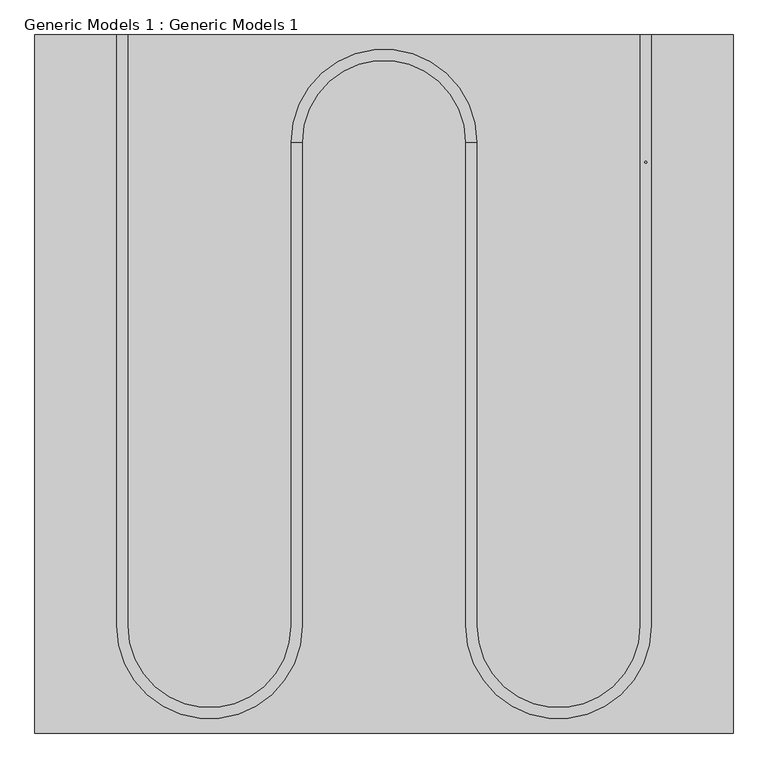
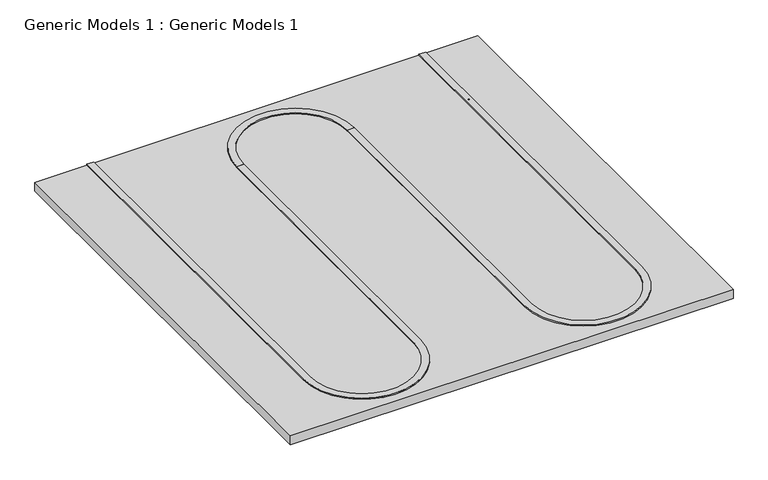
"""IFC4 building model written with IfcOpenShell, lengths in millimetres: proxy geometry, Generic Models 1 : Generic Models 1."""

from ifc_helpers import new_model, si_unit, point, frame, frame_2d, origin, origin_with_axes, place, context, project, spatial, polyline, circle_curve, trimmed, segment, composite_curve, outline, extrude, source, transform, mapped, element, save


def generic_models_1_generic_models_1_451ecc17(model_context):
    return source(origin(), model_context, "Body", "SweptSolid", [
        extrude(outline(composite_curve([segment(trimmed(circle_curve(frame_2d((117.2726139, 2279.6786599)), 1.5875), [point((115.6851139, 2279.6786599))], [point((118.8601139, 2279.6786599))], False, "CARTESIAN"), True, "CONTINUOUS"), segment(trimmed(circle_curve(frame_2d((117.2726139, 2279.6786599)), 1.5875), [point((118.8601139, 2279.6786599))], [point((115.6851139, 2279.6786599))], False, "CARTESIAN"), True, "CONTINUOUS")], self_intersect=False)), frame((0.0, 0.0, 25.4), z_axis=(0.0, 0.0, 1.0), x_axis=(1.0, 0.0, 0.0)), (0.0, 0.0, 1.0), 3.175),
        extrude(outline(composite_curve([segment(trimmed(circle_curve(frame_2d((-339.9273861, 2314.6036599)), 142.875), [point((-197.0523861, 2314.6036599))], [point((-482.8023861, 2314.6036599))], True, "CARTESIAN"), True, "CONTINUOUS"), segment(polyline([(-482.8023861, 2314.6036599), (-501.8523861, 2314.6036599)]), True, "CONTINUOUS"), segment(trimmed(circle_curve(frame_2d((-339.9273861, 2314.6036599)), 161.925), [point((-501.8523861, 2314.6036599))], [point((-178.0023861, 2314.6036599))], False, "CARTESIAN"), True, "CONTINUOUS"), segment(polyline([(-178.0023861, 2314.6036599), (-197.0523861, 2314.6036599)]), True, "CONTINUOUS")], self_intersect=False)), frame((0.0, 0.0, 25.4), z_axis=(0.0, 0.0, 1.0), x_axis=(1.0, 0.0, 0.0)), (0.0, 0.0, 1.0), 3.175),
        extrude(outline(composite_curve([segment(polyline([(-806.6523861, 1470.0536599), (-806.6523861, 2501.9286599), (-787.6023861, 2501.9286599), (-787.6023861, 1470.0536599)]), True, "CONTINUOUS"), segment(trimmed(circle_curve(frame_2d((-644.7273861, 1470.0536599)), 142.875), [point((-787.6023861, 1470.0536599))], [point((-501.8523861, 1470.0536599))], True, "CARTESIAN"), True, "CONTINUOUS"), segment(polyline([(-501.8523861, 1470.0536599), (-501.8523861, 2314.6036599), (-482.8023861, 2314.6036599), (-482.8023861, 1470.0536599)]), True, "CONTINUOUS"), segment(trimmed(circle_curve(frame_2d((-644.7273861, 1470.0536599)), 161.925), [point((-482.8023861, 1470.0536599))], [point((-806.6523861, 1470.0536599))], False, "CARTESIAN"), True, "CONTINUOUS")], self_intersect=False)), frame((0.0, 0.0, 25.4), z_axis=(0.0, 0.0, 1.0), x_axis=(1.0, 0.0, 0.0)), (0.0, 0.0, 1.0), 3.175),
        extrude(outline(composite_curve([segment(polyline([(-197.0523861, 1470.0536599), (-197.0523861, 2314.6036599), (-178.0023861, 2314.6036599), (-178.0023861, 1470.0536599)]), True, "CONTINUOUS"), segment(trimmed(circle_curve(frame_2d((-35.1273861, 1470.0536599)), 142.875), [point((-178.0023861, 1470.0536599))], [point((107.7476139, 1470.0536599))], True, "CARTESIAN"), True, "CONTINUOUS"), segment(polyline([(107.7476139, 1470.0536599), (107.7476139, 2501.9286599), (126.7976139, 2501.9286599), (126.7976139, 1470.0536599)]), True, "CONTINUOUS"), segment(trimmed(circle_curve(frame_2d((-35.1273861, 1470.0536599)), 161.925), [point((126.7976139, 1470.0536599))], [point((-197.0523861, 1470.0536599))], False, "CARTESIAN"), True, "CONTINUOUS")], self_intersect=False)), frame((0.0, 0.0, 25.4), z_axis=(0.0, 0.0, 1.0), x_axis=(1.0, 0.0, 0.0)), (0.0, 0.0, 1.0), 3.175),
        extrude(outline(polyline([(-949.5273861, 2501.9286599), (269.6726139, 2501.9286599), (269.6726139, 1282.7286599), (-949.5273861, 1282.7286599), (-949.5273861, 2501.9286599)])), origin_with_axes(), (0.0, 0.0, 1.0), 25.4),
    ])


if __name__ == "__main__":
    model = new_model("IFC4")
    model_context = context("Model", 3, world=origin())
    ifc_project = project(units=[si_unit("LENGTHUNIT", "METRE", prefix="MILLI")], contexts=[model_context])
    site = spatial("IfcSite", under=ifc_project)
    building = spatial("IfcBuilding", under=site)
    placement = place(None, origin())
    generic_models_1_generic_models_1_shape = generic_models_1_generic_models_1_451ecc17(model_context)
    element("IfcBuildingElementProxy", 1, Name="Generic Models 1 : Generic Models 1", ObjectType="Generic Models 1 : Generic Models 1", at=placement, inside=building, context=model_context, shape_type="MappedRepresentation", body=[
        mapped(generic_models_1_generic_models_1_shape, transform((0.0, 0.0, 0.0), x_axis=(1.0, 0.0, 0.0), y_axis=(0.0, 1.0, 0.0), z_axis=(0.0, 0.0, 1.0))),
    ])
    save(model, "model.ifc")
